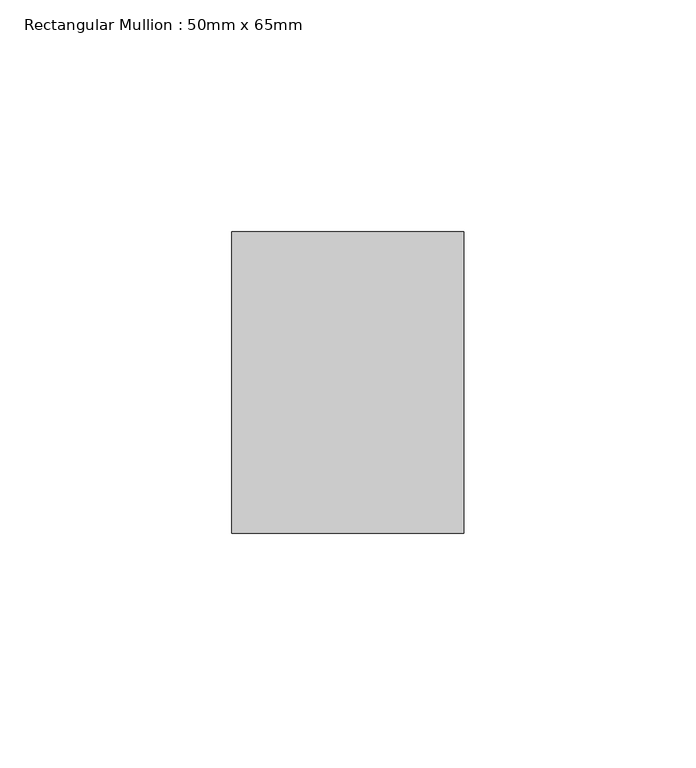
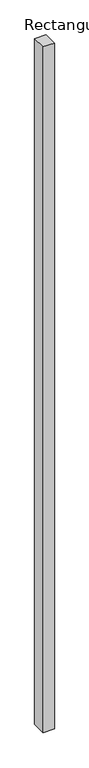
"""IFC4 building model written with IfcOpenShell, lengths in millimetres: member geometry, Rectangular Mullion : 50mm x 65mm."""

from ifc_helpers import new_model, si_unit, frame, origin, place, context, project, spatial, polyline, outline, extrude, source, transform, mapped, element, save


def rectangular_mullion_50mm_x_65mm_4acdb557(model_context):
    return source(origin(), model_context, "Body", "SweptSolid", [
        extrude(outline(polyline([(25.0, 32.5), (25.0, -32.5), (-25.0, -32.5), (-25.0, 32.5), (25.0, 32.5)])), frame((0.0, 0.0, -3235.2666915), z_axis=(0.0, 0.0, 1.0), x_axis=(1.0, 0.0, 0.0)), (0.0, 0.0, 1.0), 3235.2666915),
    ])


if __name__ == "__main__":
    model = new_model("IFC4")
    model_context = context("Model", 3, world=origin())
    ifc_project = project(units=[si_unit("LENGTHUNIT", "METRE", prefix="MILLI")], contexts=[model_context])
    site = spatial("IfcSite", under=ifc_project)
    building = spatial("IfcBuilding", under=site)
    placement = place(None, origin())
    rectangular_mullion_50mm_x_65mm_shape = rectangular_mullion_50mm_x_65mm_4acdb557(model_context)
    element("IfcMember", 1, ObjectType="Rectangular Mullion : 50mm x 65mm", at=placement, inside=building, context=model_context, shape_type="MappedRepresentation", body=[
        mapped(rectangular_mullion_50mm_x_65mm_shape, transform((0.0, 0.0, 0.0), x_axis=(1.0, 0.0, 0.0), y_axis=(0.0, 1.0, 0.0), z_axis=(0.0, 0.0, 1.0))),
    ])
    save(model, "model.ifc")
